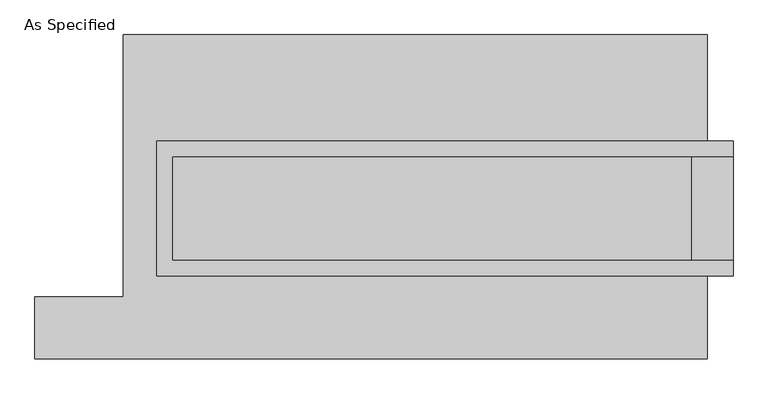
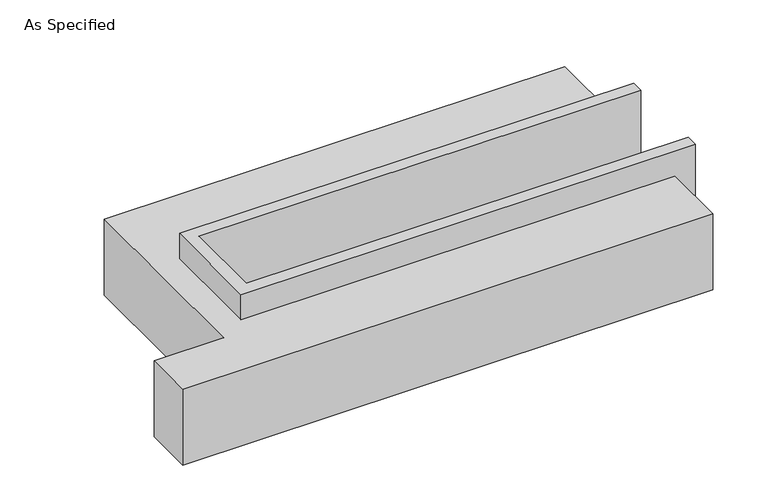
"""IFC4 building model written with IfcOpenShell, lengths in millimetres: proxy geometry, As Specified."""

from ifc_helpers import new_model, si_unit, origin, place, context, project, spatial, faceted_brep, source, transform, mapped, element, save


def as_specified_061c741f(model_context):
    return source(origin(), model_context, "Body", "Brep", [
        faceted_brep([(-1263.65, 273.05, 139.7), (-1263.65, 273.05, -393.7), (-1263.65, 196.85, -393.7), (-1263.65, 196.85, -25.4), (-1263.65, -311.15, -25.4), (-1263.65, -311.15, -393.7), (-1263.65, -387.35, -393.7), (-1263.65, -387.35, 139.7), (1555.75, 196.85, 139.7), (1555.75, 196.85, -317.5), (1555.75, -311.15, -317.5), (1555.75, -311.15, 139.7), (1555.75, -387.35, 139.7), (1555.75, -387.35, -393.7), (1555.75, 273.05, -393.7), (1555.75, 273.05, 139.7), (-1187.45, -311.15, 139.7), (-1187.45, 196.85, 139.7), (1352.55, -311.15, -393.7), (1352.55, 196.85, -393.7), (1352.55, -311.15, -317.5), (-1187.45, -311.15, -25.4), (1352.55, 196.85, -317.5), (-1187.45, 196.85, -25.4)], [[[0, 1, 2, 3, 4, 5, 6, 7]], [[8, 9, 10, 11, 12, 13, 14, 15]], [[0, 7, 12, 11, 16, 17, 8, 15]], [[1, 0, 15, 14]], [[14, 13, 6, 5, 18, 19, 2, 1]], [[7, 6, 13, 12]], [[11, 10, 20, 18, 5, 4, 21, 16]], [[10, 9, 22, 20]], [[9, 8, 17, 23, 3, 2, 19, 22]], [[18, 20, 22, 19]], [[23, 21, 4, 3]], [[17, 16, 21, 23]]]),
        faceted_brep([(-1428.75, 793.75, -523.9742188), (1428.75, 793.75, -523.9742188), (1428.75, -793.75, -523.9742188), (-1860.55, -793.75, -523.9742188), (-1860.55, -488.95, -523.9742188), (-1428.75, -488.95, -523.9742188), (1428.75, 793.75, -25.4), (-1428.75, 793.75, -25.4), (-1428.75, -488.95, -25.4), (-1860.55, -488.95, -25.4), (-1860.55, -793.75, -25.4), (1428.75, -793.75, -25.4), (1428.75, -387.35, -25.4), (-1263.65, -387.35, -25.4), (-1263.65, 273.05, -25.4), (1428.75, 273.05, -25.4), (1428.75, 273.05, -393.7), (1428.75, -387.35, -393.7), (-1263.65, -387.35, -393.7), (-1263.65, 273.05, -393.7)], [[[0, 1, 2, 3, 4, 5]], [[6, 7, 8, 9, 10, 11, 12, 13, 14, 15]], [[1, 0, 7, 6]], [[7, 0, 5, 8]], [[1, 6, 15, 16, 17, 12, 11, 2]], [[3, 2, 11, 10]], [[18, 19, 14, 13]], [[14, 19, 16, 15]], [[19, 18, 17, 16]], [[18, 13, 12, 17]], [[5, 4, 9, 8]], [[4, 3, 10, 9]]]),
    ])


if __name__ == "__main__":
    model = new_model("IFC4")
    model_context = context("Model", 3, world=origin())
    ifc_project = project(units=[si_unit("LENGTHUNIT", "METRE", prefix="MILLI")], contexts=[model_context])
    site = spatial("IfcSite", under=ifc_project)
    building = spatial("IfcBuilding", under=site)
    placement = place(None, origin())
    as_specified_shape = as_specified_061c741f(model_context)
    element("IfcBuildingElementProxy", 1, Name="As Specified", ObjectType="As Specified", at=placement, inside=building, context=model_context, shape_type="MappedRepresentation", body=[
        mapped(as_specified_shape, transform((0.0, 0.0, 0.0), x_axis=(1.0, 0.0, 0.0), y_axis=(0.0, 1.0, 0.0), z_axis=(0.0, 0.0, 1.0))),
    ])
    save(model, "model.ifc")
